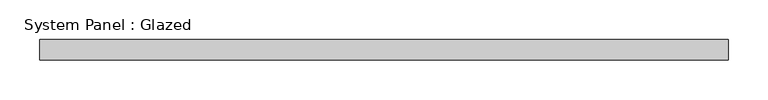
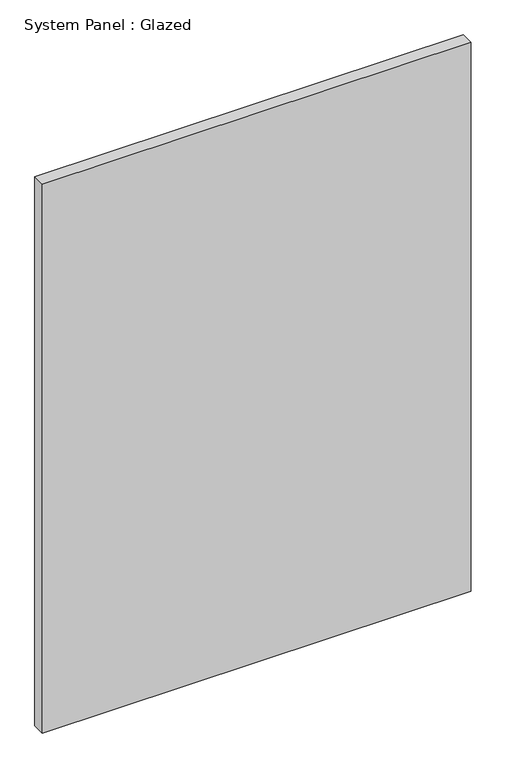
"""IFC4 building model written with IfcOpenShell, lengths in millimetres: plate geometry, System Panel : Glazed."""

import ifcopenshell
import ifcopenshell.guid

model = None  # the IFC model being written
_history = None  # IfcOwnerHistory: only IFC2X3 demands one
_inside = {}  # id of a spatial element -> (the spatial element, [elements in it])
_under = {}  # id of a project, library or spatial element -> (it, [spatial elements below it])
_declared = {}  # id of a project -> (the project, [libraries it declares])
_typed = {}  # id of a type object -> (the type object, [elements of that type])
_made_of = {}  # id of a material, layer set ... -> (it, [elements and type objects made of it])


def new_model(schema):
    """Start an empty IFC model of exactly this schema.

    Asked for "IFC4X3", IfcOpenShell would pick the latest addendum, in which some entities
    have other attributes; the version numbers below select the first issue.
    IFC2X3 requires an IfcOwnerHistory on every rooted entity: one is made here for all.
    """
    global model, _history
    if schema == "IFC4X3":
        model = ifcopenshell.file(schema_version=(4, 3, 0, 0))
    else:
        model = ifcopenshell.file(schema=schema)
    _inside.clear()
    _under.clear()
    _declared.clear()
    _typed.clear()
    _made_of.clear()
    _history = None
    if model.schema == "IFC2X3":
        org = make("IfcOrganization", Name="unknown")
        user = make(
            "IfcPersonAndOrganization",
            ThePerson=make("IfcPerson", FamilyName="unknown"),
            TheOrganization=org,
        )
        app = make(
            "IfcApplication",
            ApplicationDeveloper=org,
            Version="unknown",
            ApplicationFullName="unknown",
            ApplicationIdentifier="unknown",
        )
        _history = make(
            "IfcOwnerHistory",
            OwningUser=user,
            OwningApplication=app,
            ChangeAction="ADDED",
            CreationDate=0,
        )
    return model


def make(cls, **values):
    """One entity of the class cls with the attributes given. An attribute that is None is left unset."""
    return model.create_entity(
        cls, **{name: value for name, value in values.items() if value is not None}
    )


def rooted(cls, **values):
    """An entity with a GlobalId (a new one), such as an element, a storey or a relation."""
    return make(cls, GlobalId=ifcopenshell.guid.new(), OwnerHistory=_history, **values)


def si_unit(unit_type, name, prefix=None):
    """IfcSIUnit, for example si_unit("LENGTHUNIT", "METRE", prefix="MILLI")."""
    return make("IfcSIUnit", UnitType=unit_type, Prefix=prefix, Name=name)


def assignment(units):
    """IfcUnitAssignment: the units of a project."""
    return None if units is None else make("IfcUnitAssignment", Units=units)


def point(xyz):
    """IfcCartesianPoint."""
    return None if xyz is None else make("IfcCartesianPoint", Coordinates=xyz)


def direction(xyz):
    """IfcDirection."""
    return None if xyz is None else make("IfcDirection", DirectionRatios=xyz)


def frame(location, z_axis=None, x_axis=None):
    """IfcAxis2Placement3D, a coordinate frame: its origin and axes. An axis left out is left unset."""
    return make(
        "IfcAxis2Placement3D",
        Location=point(location),
        Axis=direction(z_axis),
        RefDirection=direction(x_axis),
    )


def origin():
    """The frame at (0, 0, 0) with its axes left unset."""
    return frame((0.0, 0.0, 0.0))


def origin_with_axes():
    """The frame at (0, 0, 0) with the z axis (0, 0, 1) and the x axis (1, 0, 0) written out."""
    return frame((0.0, 0.0, 0.0), z_axis=(0.0, 0.0, 1.0), x_axis=(1.0, 0.0, 0.0))


def place(relative_to, where):
    """IfcLocalPlacement: puts the frame where relative to a parent placement (None: the world)."""
    return make(
        "IfcLocalPlacement", PlacementRelTo=relative_to, RelativePlacement=where
    )


def context(
    kind, dimensions, precision=None, world=None, true_north=None, identifier=None
):
    """IfcGeometricRepresentationContext, for example the 3D "Model" context."""
    return make(
        "IfcGeometricRepresentationContext",
        ContextIdentifier=identifier,
        ContextType=kind,
        CoordinateSpaceDimension=dimensions,
        Precision=precision,
        WorldCoordinateSystem=world,
        TrueNorth=true_north,
    )


def project(units=None, contexts=None):
    """IfcProject with its units and contexts."""
    return rooted(
        "IfcProject",
        Name="project",
        RepresentationContexts=contexts,
        UnitsInContext=assignment(units),
    )


def spatial(cls, under=None, at=None, **own):
    """A site, building, storey or space (cls), placed at a placement, below another one or the project."""
    s = rooted(cls, ObjectPlacement=at, **own)
    if under is not None:
        _under.setdefault(under.id(), (under, []))[1].append(s)
    return s


def polyline(points):
    """IfcPolyline through the points."""
    return make("IfcPolyline", Points=[point(p) for p in points])


def outline(outer, holes=None, kind="AREA"):
    """IfcArbitraryClosedProfileDef: a profile drawn as a closed curve; with holes, ...WithVoids."""
    if holes is None:
        return make("IfcArbitraryClosedProfileDef", ProfileType=kind, OuterCurve=outer)
    return make(
        "IfcArbitraryProfileDefWithVoids",
        ProfileType=kind,
        OuterCurve=outer,
        InnerCurves=holes,
    )


def extrude(swept, where, along, depth):
    """IfcExtrudedAreaSolid: the profile swept, set in the frame where, extruded along a direction by depth."""
    return make(
        "IfcExtrudedAreaSolid",
        SweptArea=swept,
        Position=where,
        ExtrudedDirection=direction(along),
        Depth=depth,
    )


def shape(context_of_items, identifier, shape_type, items):
    """IfcShapeRepresentation: the items that make up one representation, for example the "Body"."""
    return make(
        "IfcShapeRepresentation",
        ContextOfItems=context_of_items,
        RepresentationIdentifier=identifier,
        RepresentationType=shape_type,
        Items=items,
    )


def source(mapping_origin, context_of_items, identifier, shape_type, items):
    """IfcRepresentationMap: a shape defined once, which mapped items show again and again."""
    return make(
        "IfcRepresentationMap",
        MappingOrigin=mapping_origin,
        MappedRepresentation=shape(context_of_items, identifier, shape_type, items),
    )


def transform(
    local_origin,
    x_axis=None,
    y_axis=None,
    z_axis=None,
    scale=None,
    scale2=None,
    scale3=None,
    uniform=True,
):
    """IfcCartesianTransformationOperator3D, or its non-uniform kind. x_axis, y_axis, z_axis: its Axis1, 2, 3."""
    if uniform:
        return make(
            "IfcCartesianTransformationOperator3D",
            Axis1=direction(x_axis),
            Axis2=direction(y_axis),
            LocalOrigin=point(local_origin),
            Scale=scale,
            Axis3=direction(z_axis),
        )
    return make(
        "IfcCartesianTransformationOperator3DnonUniform",
        Axis1=direction(x_axis),
        Axis2=direction(y_axis),
        LocalOrigin=point(local_origin),
        Scale=scale,
        Axis3=direction(z_axis),
        Scale2=scale2,
        Scale3=scale3,
    )


def mapped(mapping_source, mapping_target):
    """IfcMappedItem: shows the shape of a source again, moved by a transform."""
    return make(
        "IfcMappedItem", MappingSource=mapping_source, MappingTarget=mapping_target
    )


def made_of(thing, what):
    """Note that an element or type object is made of a material, layer set ...; save() writes the relation."""
    if what is not None:
        _made_of.setdefault(what.id(), (what, []))[1].append(thing)
    return thing


def element(
    cls,
    number,
    at=None,
    inside=None,
    cuts=None,
    type_object=None,
    material=None,
    context=None,
    identifier="Body",
    shape_type=None,
    held_by="IfcProductDefinitionShape",
    body=None,
    shapes=None,
    **own,
):
    """One element of the class cls, such as IfcWall. Its Tag is "e" and its number.

    at: its placement. inside: the storey or other place that contains it. cuts: it is an
    opening in that element (IfcRelVoidsElement). A single representation is given by context,
    identifier, shape_type and body (its items); several are given by shapes. held_by: the class
    of the entity that holds the representations. save() writes the other relations.
    """
    e = rooted(cls, Tag="e%d" % number, ObjectPlacement=at, **own)
    if body is not None:
        shapes = [shape(context, identifier, shape_type, body)]
    if shapes is not None:
        e.Representation = make(held_by, Representations=shapes)
    if inside is not None:
        _inside.setdefault(inside.id(), (inside, []))[1].append(e)
    if cuts is not None:
        rooted(
            "IfcRelVoidsElement", RelatingBuildingElement=cuts, RelatedOpeningElement=e
        )
    if type_object is not None:
        _typed.setdefault(type_object.id(), (type_object, []))[1].append(e)
    return made_of(e, material)


def aggregate(whole, parts):
    """IfcRelAggregates: a whole, such as a stair, and the parts it consists of."""
    return rooted("IfcRelAggregates", RelatingObject=whole, RelatedObjects=parts)


def save(model, path):
    """Write the relations noted so far, then the file.

    IfcRelAggregates (storeys below a building ...), IfcRelContainedInSpatialStructure (elements
    in a storey), IfcRelDefinesByType, IfcRelAssociatesMaterial and IfcRelDeclares: one each for
    every whole, place, type object, material and project.
    """
    for whole, parts in _under.values():
        aggregate(whole, parts)
    for where, things in _inside.values():
        rooted(
            "IfcRelContainedInSpatialStructure",
            RelatedElements=things,
            RelatingStructure=where,
        )
    for kind, things in _typed.values():
        rooted("IfcRelDefinesByType", RelatedObjects=things, RelatingType=kind)
    for what, things in _made_of.values():
        rooted("IfcRelAssociatesMaterial", RelatedObjects=things, RelatingMaterial=what)
    for by, libraries in _declared.values():
        rooted("IfcRelDeclares", RelatingContext=by, RelatedDefinitions=libraries)
    model.write(path)


def system_panel_glazed_a262c729(model_context):
    return source(origin(), model_context, "Body", "SweptSolid", [
        extrude(outline(polyline([(431.8, 25.4), (-431.8, 25.4), (-431.8, 50.8), (431.8, 50.8), (431.8, 25.4)])), origin_with_axes(), (0.0, 0.0, 1.0), 1168.4),
    ])


if __name__ == "__main__":
    model = new_model("IFC4")
    model_context = context("Model", 3, world=origin())
    ifc_project = project(units=[si_unit("LENGTHUNIT", "METRE", prefix="MILLI")], contexts=[model_context])
    site = spatial("IfcSite", under=ifc_project)
    building = spatial("IfcBuilding", under=site)
    placement = place(None, origin())
    system_panel_glazed_shape = system_panel_glazed_a262c729(model_context)
    element("IfcPlate", 1, ObjectType="System Panel : Glazed", at=placement, inside=building, context=model_context, shape_type="MappedRepresentation", body=[
        mapped(system_panel_glazed_shape, transform((0.0, 0.0, 0.0), x_axis=(1.0, 0.0, 0.0), y_axis=(0.0, 1.0, 0.0), z_axis=(0.0, 0.0, 1.0))),
    ])
    save(model, "model.ifc")
